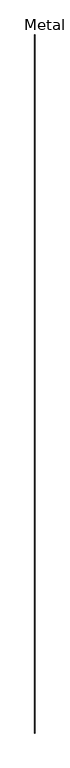
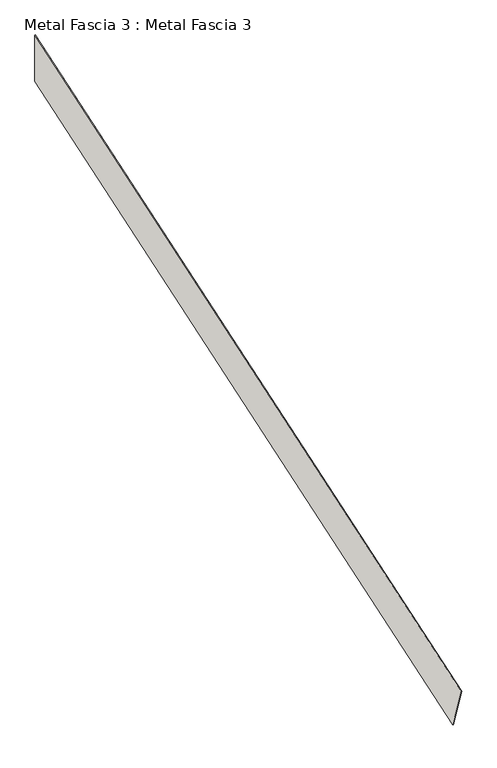
"""IFC4 building model written with IfcOpenShell, lengths in millimetres: wall geometry, Metal Fascia 3 : Metal Fascia 3."""

import ifcopenshell
import ifcopenshell.guid

model = None  # the IFC model being written
_history = None  # IfcOwnerHistory: only IFC2X3 demands one
_inside = {}  # id of a spatial element -> (the spatial element, [elements in it])
_under = {}  # id of a project, library or spatial element -> (it, [spatial elements below it])
_declared = {}  # id of a project -> (the project, [libraries it declares])
_typed = {}  # id of a type object -> (the type object, [elements of that type])
_made_of = {}  # id of a material, layer set ... -> (it, [elements and type objects made of it])


def new_model(schema):
    """Start an empty IFC model of exactly this schema.

    Asked for "IFC4X3", IfcOpenShell would pick the latest addendum, in which some entities
    have other attributes; the version numbers below select the first issue.
    IFC2X3 requires an IfcOwnerHistory on every rooted entity: one is made here for all.
    """
    global model, _history
    if schema == "IFC4X3":
        model = ifcopenshell.file(schema_version=(4, 3, 0, 0))
    else:
        model = ifcopenshell.file(schema=schema)
    _inside.clear()
    _under.clear()
    _declared.clear()
    _typed.clear()
    _made_of.clear()
    _history = None
    if model.schema == "IFC2X3":
        org = make("IfcOrganization", Name="unknown")
        user = make(
            "IfcPersonAndOrganization",
            ThePerson=make("IfcPerson", FamilyName="unknown"),
            TheOrganization=org,
        )
        app = make(
            "IfcApplication",
            ApplicationDeveloper=org,
            Version="unknown",
            ApplicationFullName="unknown",
            ApplicationIdentifier="unknown",
        )
        _history = make(
            "IfcOwnerHistory",
            OwningUser=user,
            OwningApplication=app,
            ChangeAction="ADDED",
            CreationDate=0,
        )
    return model


def make(cls, **values):
    """One entity of the class cls with the attributes given. An attribute that is None is left unset."""
    return model.create_entity(
        cls, **{name: value for name, value in values.items() if value is not None}
    )


def rooted(cls, **values):
    """An entity with a GlobalId (a new one), such as an element, a storey or a relation."""
    return make(cls, GlobalId=ifcopenshell.guid.new(), OwnerHistory=_history, **values)


def si_unit(unit_type, name, prefix=None):
    """IfcSIUnit, for example si_unit("LENGTHUNIT", "METRE", prefix="MILLI")."""
    return make("IfcSIUnit", UnitType=unit_type, Prefix=prefix, Name=name)


def assignment(units):
    """IfcUnitAssignment: the units of a project."""
    return None if units is None else make("IfcUnitAssignment", Units=units)


def point(xyz):
    """IfcCartesianPoint."""
    return None if xyz is None else make("IfcCartesianPoint", Coordinates=xyz)


def direction(xyz):
    """IfcDirection."""
    return None if xyz is None else make("IfcDirection", DirectionRatios=xyz)


def frame(location, z_axis=None, x_axis=None):
    """IfcAxis2Placement3D, a coordinate frame: its origin and axes. An axis left out is left unset."""
    return make(
        "IfcAxis2Placement3D",
        Location=point(location),
        Axis=direction(z_axis),
        RefDirection=direction(x_axis),
    )


def origin():
    """The frame at (0, 0, 0) with its axes left unset."""
    return frame((0.0, 0.0, 0.0))


def place(relative_to, where):
    """IfcLocalPlacement: puts the frame where relative to a parent placement (None: the world)."""
    return make(
        "IfcLocalPlacement", PlacementRelTo=relative_to, RelativePlacement=where
    )


def context(
    kind, dimensions, precision=None, world=None, true_north=None, identifier=None
):
    """IfcGeometricRepresentationContext, for example the 3D "Model" context."""
    return make(
        "IfcGeometricRepresentationContext",
        ContextIdentifier=identifier,
        ContextType=kind,
        CoordinateSpaceDimension=dimensions,
        Precision=precision,
        WorldCoordinateSystem=world,
        TrueNorth=true_north,
    )


def project(units=None, contexts=None):
    """IfcProject with its units and contexts."""
    return rooted(
        "IfcProject",
        Name="project",
        RepresentationContexts=contexts,
        UnitsInContext=assignment(units),
    )


def spatial(cls, under=None, at=None, **own):
    """A site, building, storey or space (cls), placed at a placement, below another one or the project."""
    s = rooted(cls, ObjectPlacement=at, **own)
    if under is not None:
        _under.setdefault(under.id(), (under, []))[1].append(s)
    return s


def polyline(points):
    """IfcPolyline through the points."""
    return make("IfcPolyline", Points=[point(p) for p in points])


def outline(outer, holes=None, kind="AREA"):
    """IfcArbitraryClosedProfileDef: a profile drawn as a closed curve; with holes, ...WithVoids."""
    if holes is None:
        return make("IfcArbitraryClosedProfileDef", ProfileType=kind, OuterCurve=outer)
    return make(
        "IfcArbitraryProfileDefWithVoids",
        ProfileType=kind,
        OuterCurve=outer,
        InnerCurves=holes,
    )


def extrude(swept, where, along, depth):
    """IfcExtrudedAreaSolid: the profile swept, set in the frame where, extruded along a direction by depth."""
    return make(
        "IfcExtrudedAreaSolid",
        SweptArea=swept,
        Position=where,
        ExtrudedDirection=direction(along),
        Depth=depth,
    )


def shape(context_of_items, identifier, shape_type, items):
    """IfcShapeRepresentation: the items that make up one representation, for example the "Body"."""
    return make(
        "IfcShapeRepresentation",
        ContextOfItems=context_of_items,
        RepresentationIdentifier=identifier,
        RepresentationType=shape_type,
        Items=items,
    )


def source(mapping_origin, context_of_items, identifier, shape_type, items):
    """IfcRepresentationMap: a shape defined once, which mapped items show again and again."""
    return make(
        "IfcRepresentationMap",
        MappingOrigin=mapping_origin,
        MappedRepresentation=shape(context_of_items, identifier, shape_type, items),
    )


def transform(
    local_origin,
    x_axis=None,
    y_axis=None,
    z_axis=None,
    scale=None,
    scale2=None,
    scale3=None,
    uniform=True,
):
    """IfcCartesianTransformationOperator3D, or its non-uniform kind. x_axis, y_axis, z_axis: its Axis1, 2, 3."""
    if uniform:
        return make(
            "IfcCartesianTransformationOperator3D",
            Axis1=direction(x_axis),
            Axis2=direction(y_axis),
            LocalOrigin=point(local_origin),
            Scale=scale,
            Axis3=direction(z_axis),
        )
    return make(
        "IfcCartesianTransformationOperator3DnonUniform",
        Axis1=direction(x_axis),
        Axis2=direction(y_axis),
        LocalOrigin=point(local_origin),
        Scale=scale,
        Axis3=direction(z_axis),
        Scale2=scale2,
        Scale3=scale3,
    )


def mapped(mapping_source, mapping_target):
    """IfcMappedItem: shows the shape of a source again, moved by a transform."""
    return make(
        "IfcMappedItem", MappingSource=mapping_source, MappingTarget=mapping_target
    )


def made_of(thing, what):
    """Note that an element or type object is made of a material, layer set ...; save() writes the relation."""
    if what is not None:
        _made_of.setdefault(what.id(), (what, []))[1].append(thing)
    return thing


def element(
    cls,
    number,
    at=None,
    inside=None,
    cuts=None,
    type_object=None,
    material=None,
    context=None,
    identifier="Body",
    shape_type=None,
    held_by="IfcProductDefinitionShape",
    body=None,
    shapes=None,
    **own,
):
    """One element of the class cls, such as IfcWall. Its Tag is "e" and its number.

    at: its placement. inside: the storey or other place that contains it. cuts: it is an
    opening in that element (IfcRelVoidsElement). A single representation is given by context,
    identifier, shape_type and body (its items); several are given by shapes. held_by: the class
    of the entity that holds the representations. save() writes the other relations.
    """
    e = rooted(cls, Tag="e%d" % number, ObjectPlacement=at, **own)
    if body is not None:
        shapes = [shape(context, identifier, shape_type, body)]
    if shapes is not None:
        e.Representation = make(held_by, Representations=shapes)
    if inside is not None:
        _inside.setdefault(inside.id(), (inside, []))[1].append(e)
    if cuts is not None:
        rooted(
            "IfcRelVoidsElement", RelatingBuildingElement=cuts, RelatedOpeningElement=e
        )
    if type_object is not None:
        _typed.setdefault(type_object.id(), (type_object, []))[1].append(e)
    return made_of(e, material)


def aggregate(whole, parts):
    """IfcRelAggregates: a whole, such as a stair, and the parts it consists of."""
    return rooted("IfcRelAggregates", RelatingObject=whole, RelatedObjects=parts)


def save(model, path):
    """Write the relations noted so far, then the file.

    IfcRelAggregates (storeys below a building ...), IfcRelContainedInSpatialStructure (elements
    in a storey), IfcRelDefinesByType, IfcRelAssociatesMaterial and IfcRelDeclares: one each for
    every whole, place, type object, material and project.
    """
    for whole, parts in _under.values():
        aggregate(whole, parts)
    for where, things in _inside.values():
        rooted(
            "IfcRelContainedInSpatialStructure",
            RelatedElements=things,
            RelatingStructure=where,
        )
    for kind, things in _typed.values():
        rooted("IfcRelDefinesByType", RelatedObjects=things, RelatingType=kind)
    for what, things in _made_of.values():
        rooted("IfcRelAssociatesMaterial", RelatedObjects=things, RelatingMaterial=what)
    for by, libraries in _declared.values():
        rooted("IfcRelDeclares", RelatingContext=by, RelatedDefinitions=libraries)
    model.write(path)


def metal_fascia_3_metal_fascia_3_f4bf0cc1(model_context):
    return source(origin(), model_context, "Body", "SweptSolid", [
        extrude(outline(polyline([(153934.6431696, 3424.965509), (156677.8431696, 4339.365509), (156677.8431696, 4156.9679688), (153989.3624317, 3260.8077228), (153934.6431696, 3424.965509)])), frame((222947.6853488, 0.0, 0.0), z_axis=(1.0, 0.0, 0.0), x_axis=(0.0, 1.0, 0.0)), (0.0, 0.0, 1.0), 1.5875),
    ])


if __name__ == "__main__":
    model = new_model("IFC4")
    model_context = context("Model", 3, world=origin())
    ifc_project = project(units=[si_unit("LENGTHUNIT", "METRE", prefix="MILLI")], contexts=[model_context])
    site = spatial("IfcSite", under=ifc_project)
    building = spatial("IfcBuilding", under=site)
    placement = place(None, origin())
    metal_fascia_3_metal_fascia_3_shape = metal_fascia_3_metal_fascia_3_f4bf0cc1(model_context)
    element("IfcWall", 1, ObjectType="Metal Fascia 3 : Metal Fascia 3", at=placement, inside=building, context=model_context, shape_type="MappedRepresentation", body=[
        mapped(metal_fascia_3_metal_fascia_3_shape, transform((0.0, 0.0, 0.0), x_axis=(1.0, 0.0, 0.0), y_axis=(0.0, 1.0, 0.0), z_axis=(0.0, 0.0, 1.0))),
    ])
    save(model, "model.ifc")
